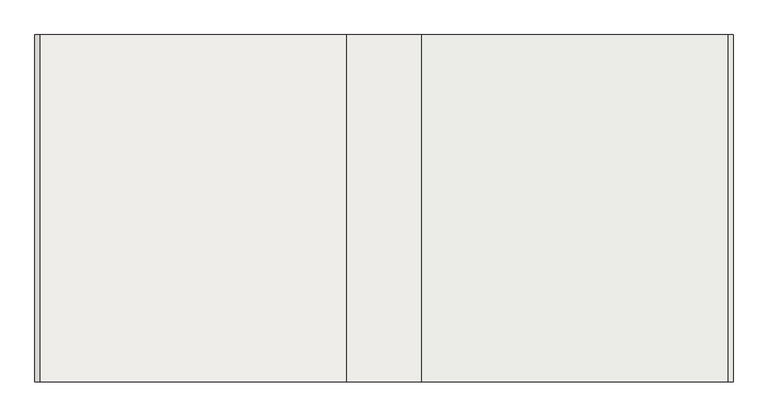
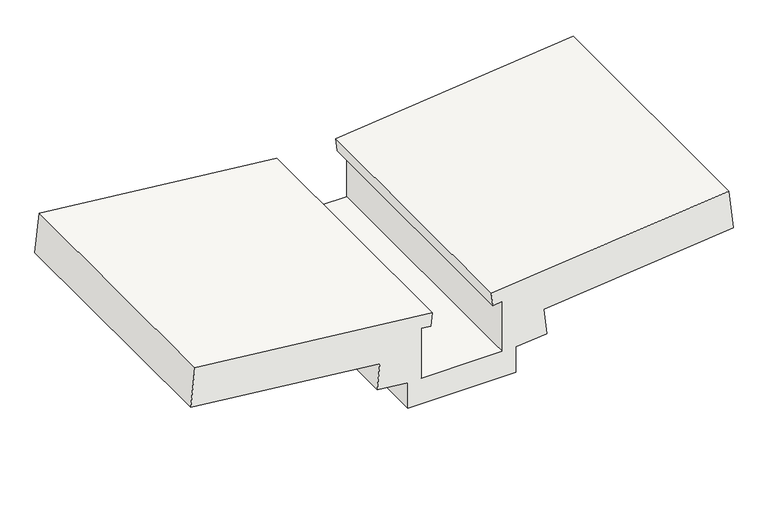
"""IFC4 building model written with IfcOpenShell, lengths in millimetres: roof geometry."""

from ifc_helpers import new_model, si_unit, frame, origin, place, context, project, spatial, polyline, outline, extrude, source, transform, mapped, element, save


def roof_b6610c09(model_context):
    return source(origin(), model_context, "Body", "SweptSolid", [
        extrude(outline(polyline([(-139.7649905, 855.3751244), (-40.3158184, 855.3751244), (-28.2770392, 969.9164576), (71.1751504, 959.4636113), (144.867717, 1660.6015475), (294.0460013, 1644.922278), (201.5383113, 764.7704006), (151.8122165, 769.9968238), (155.5306257, 805.3751244), (-39.7649905, 805.3751244), (-39.7649905, 505.3751244), (155.5306257, 505.3751244), (151.8122165, 540.7534249), (201.5383113, 545.9798481), (294.0460013, -334.1720293), (144.867717, -349.8512988), (71.1751504, 351.2866374), (-28.2770392, 340.8337911), (-40.3158184, 455.3751244), (-139.7649905, 455.3751244), (-139.7649905, 855.3751244)])), frame((0.0, -27229.4794054, 0.0), z_axis=(0.0, 1.0, 0.0), x_axis=(0.0, 0.0, 1.0)), (0.0, 0.0, 1.0), 1000.0),
    ])


if __name__ == "__main__":
    model = new_model("IFC4")
    model_context = context("Model", 3, world=origin())
    ifc_project = project(units=[si_unit("LENGTHUNIT", "METRE", prefix="MILLI")], contexts=[model_context])
    site = spatial("IfcSite", under=ifc_project)
    building = spatial("IfcBuilding", under=site)
    placement = place(None, origin())
    roof_shape = roof_b6610c09(model_context)
    element("IfcRoof", 1, at=placement, inside=building, context=model_context, shape_type="MappedRepresentation", body=[
        mapped(roof_shape, transform((0.0, 0.0, 0.0), x_axis=(1.0, 0.0, 0.0), y_axis=(0.0, 1.0, 0.0), z_axis=(0.0, 0.0, 1.0))),
    ])
    save(model, "model.ifc")
